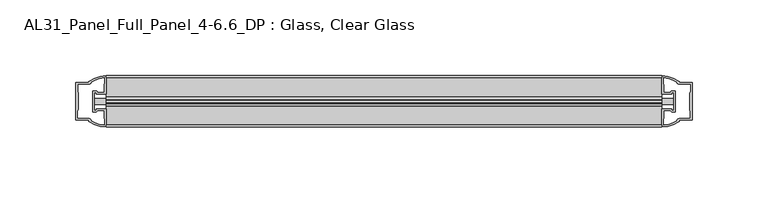
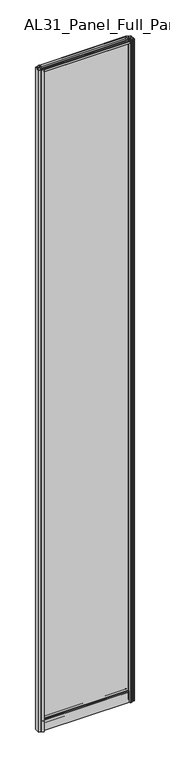
"""IFC4 building model written with IfcOpenShell, lengths in millimetres: plate geometry, AL31_Panel_Full_Panel_4-6.6_DP : Glass, Clear Glass."""

from ifc_helpers import new_model, si_unit, point, frame, frame_2d, origin, origin_with_axes, place, context, project, spatial, polyline, circle_curve, trimmed, segment, composite_curve, outline, extrude, source, transform, mapped, element, save


def al31_panel_full_panel_4_6_6_dp_glass_clear_glass_10489893(model_context):
    return source(origin(), model_context, "Body", "SweptSolid", [
        extrude(outline(composite_curve([segment(trimmed(circle_curve(frame_2d((-19.957, 2961.8572926)), 3.0), [point((-18.457, 2964.4553688))], [point((-17.4851586, 2960.1572926))], False, "CARTESIAN"), True, "CONTINUOUS"), segment(polyline([(-17.4851586, 2960.1572926), (-4.157, 2960.1572926), (-4.157, 2969.5572926), (-2.857, 2969.5572926), (-2.857, 2959.0572926), (-13.1545312, 2959.0572926), (-13.1545312, 2958.2572926), (-13.6601218, 2956.3357964), (-13.6601218, 2951.6572926), (-14.857, 2951.6572926), (-14.857, 2956.9912672), (-14.357, 2957.8572926), (-14.357, 2959.0572926), (-25.357, 2959.0572926), (-25.357, 2957.8572926), (-24.857, 2956.9912672), (-24.857, 2951.6572926), (-26.0538782, 2951.6572926), (-26.0538782, 2956.3357964), (-26.5594688, 2958.2572926), (-26.5594688, 2959.0572926), (-36.857, 2959.0572926), (-36.857, 2969.5572926), (-35.557, 2969.5572926), (-35.557, 2960.1572926), (-22.4288414, 2960.1572926)]), True, "CONTINUOUS"), segment(trimmed(circle_curve(frame_2d((-19.957, 2961.8572926)), 3.0), [point((-22.4288414, 2960.1572926))], [point((-21.457, 2964.4553688))], False, "CARTESIAN"), True, "CONTINUOUS"), segment(polyline([(-21.457, 2964.4553688), (-20.907, 2963.5027409)]), True, "CONTINUOUS"), segment(trimmed(circle_curve(frame_2d((-19.957, 2961.8572926)), 1.9), [point((-20.907, 2963.5027409))], [point((-19.007, 2963.5027409))], True, "CARTESIAN"), True, "CONTINUOUS"), segment(polyline([(-19.007, 2963.5027409), (-18.457, 2964.4553688)]), True, "CONTINUOUS")], self_intersect=False)), frame((-183.0678258, 0.0, 0.0), z_axis=(1.0, 0.0, 0.0), x_axis=(0.0, 1.0, 0.0)), (0.0, 0.0, 1.0), 366.1356516),
        extrude(outline(composite_curve([segment(polyline([(-11.457, 35.8), (-28.257, 35.8)]), True, "CONTINUOUS"), segment(trimmed(circle_curve(frame_2d((-28.257, 34.8)), 1.0), [point((-28.257, 35.8))], [point((-29.257, 34.8))], True, "CARTESIAN"), True, "CONTINUOUS"), segment(polyline([(-29.257, 34.8), (-29.257, 33.5), (-24.8569697, 33.5), (-24.8569697, 32.3), (-29.257, 32.3), (-29.257, 0.0), (-30.457, 0.0), (-30.457, 47.3)]), True, "CONTINUOUS"), segment(trimmed(circle_curve(frame_2d((-28.457, 47.3)), 2.0), [point((-30.457, 47.3))], [point((-28.457, 49.3))], False, "CARTESIAN"), True, "CONTINUOUS"), segment(polyline([(-28.457, 49.3), (-24.857, 49.3), (-24.857, 41.9), (-14.857, 41.9), (-14.857, 49.3), (-11.257, 49.3)]), True, "CONTINUOUS"), segment(trimmed(circle_curve(frame_2d((-11.257, 47.3)), 2.0), [point((-11.257, 49.3))], [point((-9.257, 47.3))], False, "CARTESIAN"), True, "CONTINUOUS"), segment(polyline([(-9.257, 47.3), (-9.257, 0.0), (-10.457, 0.0), (-10.457, 32.3), (-14.8569697, 32.3), (-14.8569697, 33.5), (-10.457, 33.5), (-10.457, 34.8)]), True, "CONTINUOUS"), segment(trimmed(circle_curve(frame_2d((-11.457, 34.8)), 1.0), [point((-10.457, 34.8))], [point((-11.457, 35.8))], True, "CARTESIAN"), True, "CONTINUOUS")], self_intersect=False), holes=[composite_curve([segment(polyline([(-26.3594688, 41.8), (-26.3594688, 42.9)]), True, "CONTINUOUS"), segment(trimmed(circle_curve(frame_2d((-25.1594688, 42.9)), 1.2), [point((-26.3594688, 42.9))], [point((-25.9768184, 43.7786009))], False, "CARTESIAN"), True, "CONTINUOUS"), segment(polyline([(-25.9768184, 43.7786009), (-25.9768184, 48.2), (-28.257, 48.2)]), True, "CONTINUOUS"), segment(trimmed(circle_curve(frame_2d((-28.257, 47.2)), 1.0), [point((-28.257, 48.2))], [point((-29.257, 47.2))], True, "CARTESIAN"), True, "CONTINUOUS"), segment(polyline([(-29.257, 47.2), (-29.257, 37.04), (-22.6578965, 37.04), (-22.6578965, 38.0725806), (-21.6940508, 38.0725806)]), True, "CONTINUOUS"), segment(trimmed(circle_curve(frame_2d((-19.857, 39.1)), 2.1048387), [point((-21.6940508, 38.0725806))], [point((-18.0199492, 38.0725806))], True, "CARTESIAN"), True, "CONTINUOUS"), segment(polyline([(-18.0199492, 38.0725806), (-17.0561035, 38.0725806), (-17.0561035, 37.04), (-10.457, 37.04), (-10.457, 47.2)]), True, "CONTINUOUS"), segment(trimmed(circle_curve(frame_2d((-11.457, 47.2)), 1.0), [point((-10.457, 47.2))], [point((-11.457, 48.2))], True, "CARTESIAN"), True, "CONTINUOUS"), segment(polyline([(-11.457, 48.2), (-13.7371816, 48.2), (-13.7371816, 43.5786009)]), True, "CONTINUOUS"), segment(trimmed(circle_curve(frame_2d((-14.5545312, 42.7)), 1.2), [point((-13.7371816, 43.5786009))], [point((-13.3545312, 42.7))], False, "CARTESIAN"), True, "CONTINUOUS"), segment(polyline([(-13.3545312, 42.7), (-13.3545312, 41.8)]), True, "CONTINUOUS"), segment(trimmed(circle_curve(frame_2d((-14.3545312, 41.8)), 1.0), [point((-13.3545312, 41.8))], [point((-14.3545312, 40.8))], False, "CARTESIAN"), True, "CONTINUOUS"), segment(polyline([(-14.3545312, 40.8), (-17.0561035, 40.8), (-17.0561035, 39.7274194), (-18.0199492, 39.7274194)]), True, "CONTINUOUS"), segment(trimmed(circle_curve(frame_2d((-19.857, 38.7)), 2.1048387), [point((-18.0199492, 39.7274194))], [point((-21.6940508, 39.7274194))], True, "CARTESIAN"), True, "CONTINUOUS"), segment(polyline([(-21.6940508, 39.7274194), (-22.6578965, 39.7274194), (-22.6578965, 40.8), (-25.3594688, 40.8)]), True, "CONTINUOUS"), segment(trimmed(circle_curve(frame_2d((-25.3594688, 41.8)), 1.0), [point((-25.3594688, 40.8))], [point((-26.3594688, 41.8))], False, "CARTESIAN"), True, "CONTINUOUS")], self_intersect=False)]), frame((-183.0678258, 0.0, 0.0), z_axis=(1.0, 0.0, 0.0), x_axis=(0.0, 1.0, 0.0)), (0.0, 0.0, 1.0), 366.1356516),
        extrude(outline(composite_curve([segment(polyline([(-190.9092472, -25.757), (-189.7092472, -25.757), (-189.7092472, -24.857), (-183.0678258, -24.857), (-183.0678258, -36.8571453)]), True, "CONTINUOUS"), segment(trimmed(circle_curve(frame_2d((-182.7031742, -16.8604698)), 20.0), [point((-183.0678258, -36.8571453))], [point((-194.423661, -33.0663388))], False, "CARTESIAN"), True, "CONTINUOUS"), segment(polyline([(-194.423661, -33.0663388), (-194.423661, -32.1849343), (-203.0678258, -32.1849343), (-203.0678258, -7.4849343), (-194.423661, -7.4849343), (-194.423661, -6.6474751)]), True, "CONTINUOUS"), segment(trimmed(circle_curve(frame_2d((-182.7031742, -22.8533441)), 20.0), [point((-194.423661, -6.6474751))], [point((-183.0678258, -2.8566686))], False, "CARTESIAN"), True, "CONTINUOUS"), segment(polyline([(-183.0678258, -2.8566686), (-183.0678258, -14.857), (-189.7092472, -14.857), (-189.7092472, -13.957), (-190.9092472, -13.957), (-190.9092472, -25.757)]), True, "CONTINUOUS")], self_intersect=False), holes=[composite_curve([segment(trimmed(circle_curve(frame_2d((-189.9092472, -14.157)), 1.5), [point((-189.9092472, -12.657))], [point((-188.5539929, -13.5141269))], False, "CARTESIAN"), True, "CONTINUOUS"), segment(polyline([(-188.5539929, -13.5141269), (-184.8092472, -13.5141269), (-184.8092472, -8.917777), (-184.3699074, -7.8571168), (-184.3699074, -4.2070183)]), True, "CONTINUOUS"), segment(trimmed(circle_curve(frame_2d((-182.7031742, -22.8325921)), 18.7), [point((-184.3699074, -4.2070183))], [point((-192.709952, -7.0353013))], True, "CARTESIAN"), True, "CONTINUOUS"), segment(trimmed(circle_curve(frame_2d((-194.5092472, -6.9849343)), 1.8), [point((-192.709952, -7.0353013))], [point((-194.5092472, -8.7849343))], False, "CARTESIAN"), True, "CONTINUOUS"), segment(polyline([(-194.5092472, -8.7849343), (-201.6506685, -8.7849343), (-201.6506685, -13.3550394), (-201.2092472, -14.417777), (-201.2092472, -25.2520916), (-201.7092472, -26.2449987), (-201.7092472, -30.8849343), (-194.5092472, -30.8849343)]), True, "CONTINUOUS"), segment(trimmed(circle_curve(frame_2d((-194.5092472, -32.6849343)), 1.8), [point((-194.5092472, -30.8849343))], [point((-192.709952, -32.6345673))], False, "CARTESIAN"), True, "CONTINUOUS"), segment(trimmed(circle_curve(frame_2d((-182.7031742, -16.8372765)), 18.7), [point((-192.709952, -32.6345673))], [point((-184.3699074, -35.4628503))], True, "CARTESIAN"), True, "CONTINUOUS"), segment(polyline([(-184.3699074, -35.4628503), (-184.3699074, -31.8127518), (-184.8092472, -30.7520916), (-184.8092472, -26.1561308), (-188.5340955, -26.1561308)]), True, "CONTINUOUS"), segment(trimmed(circle_curve(frame_2d((-189.9092472, -25.557)), 1.5), [point((-188.5340955, -26.1561308))], [point((-189.9092472, -27.057))], False, "CARTESIAN"), True, "CONTINUOUS"), segment(polyline([(-189.9092472, -27.057), (-192.2092472, -27.057), (-192.2092472, -12.657), (-189.9092472, -12.657)]), True, "CONTINUOUS")], self_intersect=False)]), origin_with_axes(), (0.0, 0.0, 1.0), 2969.5572926),
        extrude(outline(composite_curve([segment(polyline([(190.9092472, -13.957), (189.7092472, -13.957), (189.7092472, -14.857), (183.0678258, -14.857), (183.0678258, -2.8568547)]), True, "CONTINUOUS"), segment(trimmed(circle_curve(frame_2d((182.7031742, -22.8535302)), 20.0), [point((183.0678258, -2.8568547))], [point((194.423661, -6.6476612))], False, "CARTESIAN"), True, "CONTINUOUS"), segment(polyline([(194.423661, -6.6476612), (194.423661, -7.5290657), (203.0678258, -7.5290657), (203.0678258, -32.2290657), (194.423661, -32.2290657), (194.423661, -33.0665249)]), True, "CONTINUOUS"), segment(trimmed(circle_curve(frame_2d((182.7031742, -16.8606559)), 20.0), [point((194.423661, -33.0665249))], [point((183.0678258, -36.8573314))], False, "CARTESIAN"), True, "CONTINUOUS"), segment(polyline([(183.0678258, -36.8573314), (183.0678258, -24.857), (189.7092472, -24.857), (189.7092472, -25.757), (190.9092472, -25.757), (190.9092472, -13.957)]), True, "CONTINUOUS")], self_intersect=False), holes=[composite_curve([segment(trimmed(circle_curve(frame_2d((189.9092472, -25.557)), 1.5), [point((189.9092472, -27.057))], [point((188.5539929, -26.1998731))], False, "CARTESIAN"), True, "CONTINUOUS"), segment(polyline([(188.5539929, -26.1998731), (184.8092472, -26.1998731), (184.8092472, -30.796223), (184.3699074, -31.8568832), (184.3699074, -35.5069817)]), True, "CONTINUOUS"), segment(trimmed(circle_curve(frame_2d((182.7031742, -16.8814079)), 18.7), [point((184.3699074, -35.5069817))], [point((192.709952, -32.6786987))], True, "CARTESIAN"), True, "CONTINUOUS"), segment(trimmed(circle_curve(frame_2d((194.5092472, -32.7290657)), 1.8), [point((192.709952, -32.6786987))], [point((194.5092472, -30.9290657))], False, "CARTESIAN"), True, "CONTINUOUS"), segment(polyline([(194.5092472, -30.9290657), (201.6506685, -30.9290657), (201.6506685, -26.3589606), (201.2092472, -25.296223), (201.2092472, -14.4619084), (201.7092472, -13.4690013), (201.7092472, -8.8290657), (194.5092472, -8.8290657)]), True, "CONTINUOUS"), segment(trimmed(circle_curve(frame_2d((194.5092472, -7.0290657)), 1.8), [point((194.5092472, -8.8290657))], [point((192.709952, -7.0794327))], False, "CARTESIAN"), True, "CONTINUOUS"), segment(trimmed(circle_curve(frame_2d((182.7031742, -22.8767235)), 18.7), [point((192.709952, -7.0794327))], [point((184.3699074, -4.2511497))], True, "CARTESIAN"), True, "CONTINUOUS"), segment(polyline([(184.3699074, -4.2511497), (184.3699074, -7.9012482), (184.8092472, -8.9619084), (184.8092472, -13.5578692), (188.5340955, -13.5578692)]), True, "CONTINUOUS"), segment(trimmed(circle_curve(frame_2d((189.9092472, -14.157)), 1.5), [point((188.5340955, -13.5578692))], [point((189.9092472, -12.657))], False, "CARTESIAN"), True, "CONTINUOUS"), segment(polyline([(189.9092472, -12.657), (192.2092472, -12.657), (192.2092472, -27.057), (189.9092472, -27.057)]), True, "CONTINUOUS")], self_intersect=False)]), origin_with_axes(), (0.0, 0.0, 1.0), 2969.5572926),
        extrude(outline(polyline([(190.9092472, -17.857), (190.9092472, -21.857), (-190.9092472, -21.857), (-190.9092472, -17.857), (190.9092472, -17.857)])), frame((0.0, 0.0, 41.9), z_axis=(0.0, 0.0, 1.0), x_axis=(1.0, 0.0, 0.0)), (0.0, 0.0, 1.0), 2917.1572926),
    ])


if __name__ == "__main__":
    model = new_model("IFC4")
    model_context = context("Model", 3, world=origin())
    ifc_project = project(units=[si_unit("LENGTHUNIT", "METRE", prefix="MILLI")], contexts=[model_context])
    site = spatial("IfcSite", under=ifc_project)
    building = spatial("IfcBuilding", under=site)
    placement = place(None, origin())
    al31_panel_full_panel_4_6_6_dp_glass_clear_glass_shape = al31_panel_full_panel_4_6_6_dp_glass_clear_glass_10489893(model_context)
    element("IfcPlate", 1, ObjectType="AL31_Panel_Full_Panel_4-6.6_DP : Glass, Clear Glass", at=placement, inside=building, context=model_context, shape_type="MappedRepresentation", body=[
        mapped(al31_panel_full_panel_4_6_6_dp_glass_clear_glass_shape, transform((0.0, 0.0, 0.0), x_axis=(1.0, 0.0, 0.0), y_axis=(0.0, 1.0, 0.0), z_axis=(0.0, 0.0, 1.0))),
    ])
    save(model, "model.ifc")
